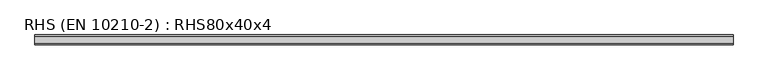
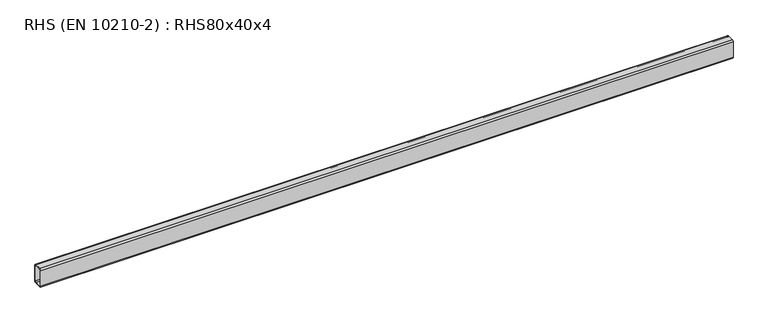
"""IFC4 building model written with IfcOpenShell, lengths in millimetres: beam geometry, RHS (EN 10210-2) : RHS80x40x4."""

from ifc_helpers import new_model, si_unit, point, frame, frame_2d, origin, place, context, project, spatial, polyline, circle_curve, trimmed, segment, composite_curve, outline, extrude, source, transform, mapped, element, save


def rhs_en_10210_2_rhs80x40x4_db7a9dc7(model_context):
    return source(origin(), model_context, "Body", "SweptSolid", [
        extrude(outline(composite_curve([segment(polyline([(20.0, 34.0), (20.0, -34.0)]), True, "CONTINUOUS"), segment(trimmed(circle_curve(frame_2d((14.0, -34.0)), 6.0), [point((20.0, -34.0))], [point((14.0, -40.0))], False, "CARTESIAN"), True, "CONTINUOUS"), segment(polyline([(14.0, -40.0), (-14.0, -40.0)]), True, "CONTINUOUS"), segment(trimmed(circle_curve(frame_2d((-14.0, -34.0)), 6.0), [point((-14.0, -40.0))], [point((-20.0, -34.0))], False, "CARTESIAN"), True, "CONTINUOUS"), segment(polyline([(-20.0, -34.0), (-20.0, 34.0)]), True, "CONTINUOUS"), segment(trimmed(circle_curve(frame_2d((-14.0, 34.0)), 6.0), [point((-20.0, 34.0))], [point((-14.0, 40.0))], False, "CARTESIAN"), True, "CONTINUOUS"), segment(polyline([(-14.0, 40.0), (14.0, 40.0)]), True, "CONTINUOUS"), segment(trimmed(circle_curve(frame_2d((14.0, 34.0)), 6.0), [point((14.0, 40.0))], [point((20.0, 34.0))], False, "CARTESIAN"), True, "CONTINUOUS")], self_intersect=False), holes=[composite_curve([segment(trimmed(circle_curve(frame_2d((-12.0, 32.0)), 4.0), [point((-12.0, 36.0))], [point((-16.0, 32.0))], True, "CARTESIAN"), True, "CONTINUOUS"), segment(polyline([(-16.0, 32.0), (-16.0, -32.0)]), True, "CONTINUOUS"), segment(trimmed(circle_curve(frame_2d((-12.0, -32.0)), 4.0), [point((-16.0, -32.0))], [point((-12.0, -36.0))], True, "CARTESIAN"), True, "CONTINUOUS"), segment(polyline([(-12.0, -36.0), (12.0, -36.0)]), True, "CONTINUOUS"), segment(trimmed(circle_curve(frame_2d((12.0, -32.0)), 4.0), [point((12.0, -36.0))], [point((16.0, -32.0))], True, "CARTESIAN"), True, "CONTINUOUS"), segment(polyline([(16.0, -32.0), (16.0, 32.0)]), True, "CONTINUOUS"), segment(trimmed(circle_curve(frame_2d((12.0, 32.0)), 4.0), [point((16.0, 32.0))], [point((12.0, 36.0))], True, "CARTESIAN"), True, "CONTINUOUS"), segment(polyline([(12.0, 36.0), (-12.0, 36.0)]), True, "CONTINUOUS")], self_intersect=False)]), frame((-1174.4, 0.0, 0.0), z_axis=(1.0, 0.0, 0.0), x_axis=(0.0, 1.0, 0.0)), (0.0, 0.0, 1.0), 2864.2),
    ])


if __name__ == "__main__":
    model = new_model("IFC4")
    model_context = context("Model", 3, world=origin())
    ifc_project = project(units=[si_unit("LENGTHUNIT", "METRE", prefix="MILLI")], contexts=[model_context])
    site = spatial("IfcSite", under=ifc_project)
    building = spatial("IfcBuilding", under=site)
    placement = place(None, origin())
    rhs_en_10210_2_rhs80x40x4_shape = rhs_en_10210_2_rhs80x40x4_db7a9dc7(model_context)
    element("IfcBeam", 1, ObjectType="RHS (EN 10210-2) : RHS80x40x4", at=placement, inside=building, context=model_context, shape_type="MappedRepresentation", body=[
        mapped(rhs_en_10210_2_rhs80x40x4_shape, transform((0.0, 0.0, 0.0), x_axis=(1.0, 0.0, 0.0), y_axis=(0.0, 1.0, 0.0), z_axis=(0.0, 0.0, 1.0))),
    ])
    save(model, "model.ifc")
